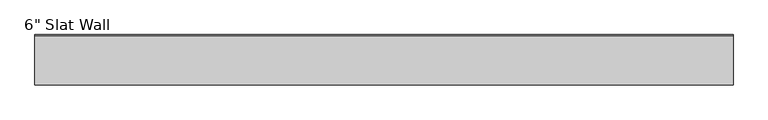
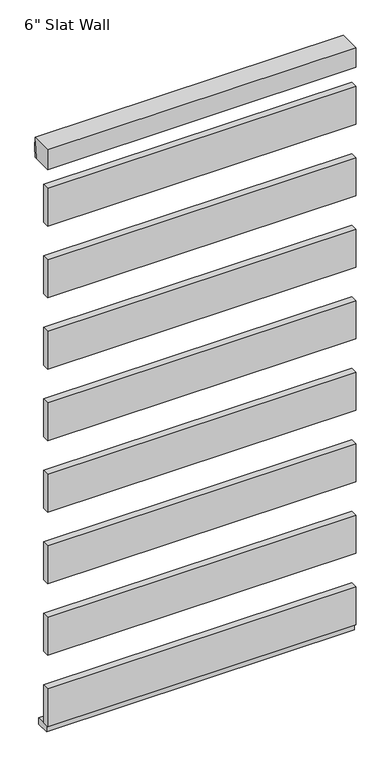
"""IFC4 building model written with IfcOpenShell, lengths in millimetres: plate geometry."""

from ifc_helpers import new_model, si_unit, point, frame, frame_2d, origin, place, context, project, spatial, polyline, circle_curve, trimmed, segment, composite_curve, outline, extrude, source, transform, mapped, element, save


def plate_09bc3c37(model_context):
    return source(origin(), model_context, "Body", "SweptSolid", [
        extrude(outline(polyline([(-7.9375, 413.4303571), (-33.3375, 413.4303571), (-33.3375, 565.8303571), (-7.9375, 565.8303571), (-7.9375, 553.1303571), (-7.9375, 516.6178571), (-7.9375, 462.6428571), (-7.9375, 426.1303571), (-7.9375, 413.4303571)])), frame((-584.2000001, 0.0, 0.0), z_axis=(1.0, 0.0, 0.0), x_axis=(0.0, 1.0, 0.0)), (0.0, 0.0, 1.0), 1168.4000001),
        extrude(outline(polyline([(-7.9375, 699.8607143), (-33.3375, 699.8607143), (-33.3375, 852.2607143), (-7.9375, 852.2607143), (-7.9375, 839.5607143), (-7.9375, 803.0482143), (-7.9375, 749.0732143), (-7.9375, 712.5607143), (-7.9375, 699.8607143)])), frame((-584.2000001, 0.0, 0.0), z_axis=(1.0, 0.0, 0.0), x_axis=(0.0, 1.0, 0.0)), (0.0, 0.0, 1.0), 1168.4000001),
        extrude(outline(polyline([(-7.9375, 986.2910714), (-33.3375, 986.2910714), (-33.3375, 1138.6910714), (-7.9375, 1138.6910714), (-7.9375, 1125.9910714), (-7.9375, 1089.4785714), (-7.9375, 1035.5035714), (-7.9375, 998.9910714), (-7.9375, 986.2910714)])), frame((-584.2000001, 0.0, 0.0), z_axis=(1.0, 0.0, 0.0), x_axis=(0.0, 1.0, 0.0)), (0.0, 0.0, 1.0), 1168.4000001),
        extrude(outline(polyline([(-7.9375, 1272.7214286), (-33.3375, 1272.7214286), (-33.3375, 1425.1214286), (-7.9375, 1425.1214286), (-7.9375, 1412.4214286), (-7.9375, 1375.9089286), (-7.9375, 1321.9339286), (-7.9375, 1285.4214286), (-7.9375, 1272.7214286)])), frame((-584.2000001, 0.0, 0.0), z_axis=(1.0, 0.0, 0.0), x_axis=(0.0, 1.0, 0.0)), (0.0, 0.0, 1.0), 1168.4000001),
        extrude(outline(polyline([(-7.9375, 1559.1517857), (-33.3375, 1559.1517857), (-33.3375, 1711.5517857), (-7.9375, 1711.5517857), (-7.9375, 1698.8517857), (-7.9375, 1662.3392857), (-7.9375, 1608.3642857), (-7.9375, 1571.8517857), (-7.9375, 1559.1517857)])), frame((-584.2000001, 0.0, 0.0), z_axis=(1.0, 0.0, 0.0), x_axis=(0.0, 1.0, 0.0)), (0.0, 0.0, 1.0), 1168.4000001),
        extrude(outline(polyline([(-7.9375, 1845.5821429), (-33.3375, 1845.5821429), (-33.3375, 1997.9821429), (-7.9375, 1997.9821429), (-7.9375, 1985.2821429), (-7.9375, 1948.7696429), (-7.9375, 1894.7946429), (-7.9375, 1858.2821429), (-7.9375, 1845.5821429)])), frame((-584.2000001, 0.0, 0.0), z_axis=(1.0, 0.0, 0.0), x_axis=(0.0, 1.0, 0.0)), (0.0, 0.0, 1.0), 1168.4000001),
        extrude(outline(polyline([(-7.9375, 127.0), (-33.3375, 127.0), (-33.3375, 279.4), (-7.9375, 279.4), (-7.9375, 266.7), (-7.9375, 230.1875), (-7.9375, 176.2125), (-7.9375, 139.7), (-7.9375, 127.0)])), frame((-584.2000001, 0.0, 0.0), z_axis=(1.0, 0.0, 0.0), x_axis=(0.0, 1.0, 0.0)), (0.0, 0.0, 1.0), 1168.4000001),
        extrude(outline(polyline([(-7.9375, 2132.0125), (-33.3375, 2132.0125), (-33.3375, 2284.4125), (-7.9375, 2284.4125), (-7.9375, 2271.7125), (-7.9375, 2235.2), (-7.9375, 2181.225), (-7.9375, 2144.7125), (-7.9375, 2132.0125)])), frame((-584.2000001, 0.0, 0.0), z_axis=(1.0, 0.0, 0.0), x_axis=(0.0, 1.0, 0.0)), (0.0, 0.0, 1.0), 1168.4000001),
        extrude(outline(composite_curve([segment(polyline([(-33.3375, 2438.4), (48.41875, 2438.4), (48.41875, 2435.225)]), True, "CONTINUOUS"), segment(trimmed(circle_curve(frame_2d((372.2960463, 2356.0450255)), 333.4156137), [point((48.41875, 2435.225))], [point((38.89375, 2359.025))], True, "CARTESIAN"), True, "CONTINUOUS"), segment(polyline([(38.89375, 2359.025), (-33.3375, 2359.025), (-33.3375, 2438.4)]), True, "CONTINUOUS")], self_intersect=False)), frame((-584.2000001, 0.0, 0.0), z_axis=(1.0, 0.0, 0.0), x_axis=(0.0, 1.0, 0.0)), (0.0, 0.0, 1.0), 1168.4000001),
        extrude(outline(composite_curve([segment(polyline([(-33.3375, 2359.025), (-33.3375, 2438.4), (48.41875, 2438.4)]), True, "CONTINUOUS"), segment(trimmed(circle_curve(frame_2d((-263.8341329, 2398.7125)), 314.7649291), [point((48.41875, 2438.4))], [point((48.41875, 2359.025))], False, "CARTESIAN"), True, "CONTINUOUS"), segment(polyline([(48.41875, 2359.025), (-33.3375, 2359.025)]), True, "CONTINUOUS")], self_intersect=False)), frame((-584.2000001, 0.0, 0.0), z_axis=(1.0, 0.0, 0.0), x_axis=(0.0, 1.0, 0.0)), (0.0, 0.0, 1.0), 1168.4000001),
        extrude(outline(polyline([(-584.2000001, -25.4), (-584.2000001, 25.4), (584.2000001, 25.4), (584.2000001, -25.4), (-584.2000001, -25.4)])), frame((0.0, 0.0, 101.6), z_axis=(0.0, 0.0, 1.0), x_axis=(1.0, 0.0, 0.0)), (0.0, 0.0, 1.0), 25.4),
    ])


if __name__ == "__main__":
    model = new_model("IFC4")
    model_context = context("Model", 3, world=origin())
    ifc_project = project(units=[si_unit("LENGTHUNIT", "METRE", prefix="MILLI")], contexts=[model_context])
    site = spatial("IfcSite", under=ifc_project)
    building = spatial("IfcBuilding", under=site)
    placement = place(None, origin())
    plate_shape = plate_09bc3c37(model_context)
    element("IfcPlate", 1, ObjectType="6\" Slat Wall", at=placement, inside=building, context=model_context, shape_type="MappedRepresentation", body=[
        mapped(plate_shape, transform((0.0, 0.0, 0.0), x_axis=(1.0, 0.0, 0.0), y_axis=(0.0, 1.0, 0.0), z_axis=(0.0, 0.0, 1.0))),
    ])
    save(model, "model.ifc")
